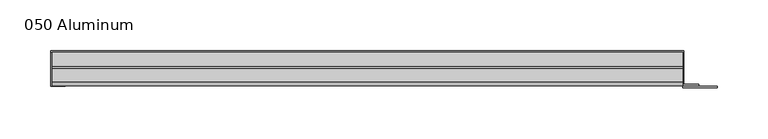
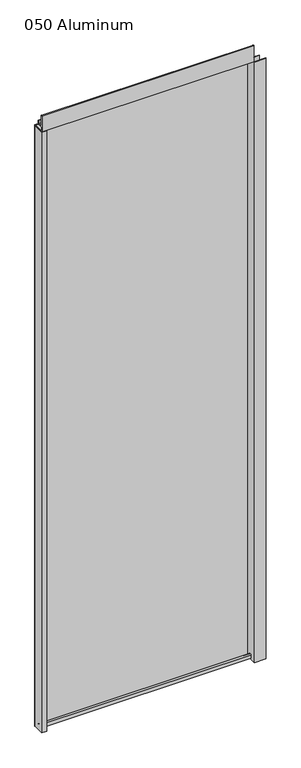
"""IFC4 building model written with IfcOpenShell, lengths in millimetres: plate geometry, 050 Aluminum."""

from ifc_helpers import new_model, si_unit, point, frame, frame_2d, origin, origin_with_axes, place, context, project, spatial, polyline, circle_curve, trimmed, segment, composite_curve, outline, extrude, source, transform, mapped, element, save


def plate_050_aluminum_b9c914ad(model_context):
    return source(origin(), model_context, "Body", "SweptSolid", [
        extrude(outline(polyline([(-315.9654167, 2.5660257), (-303.0749161, 2.5660257), (-303.0749161, 1.2699999), (-317.2354166, 1.2699999), (-317.2354166, 34.7980001), (-315.9654167, 34.7980001), (-315.9654167, 2.5660257)])), origin_with_axes(), (0.0, 0.0, 1.0), 1852.93),
        extrude(outline(composite_curve([segment(trimmed(circle_curve(frame_2d((19.8514743, 13.124237)), 3.175), [point((16.6765477, 13.1458337))], [point((23.0264743, 13.124237))], False, "CARTESIAN"), True, "CONTINUOUS"), segment(polyline([(23.0264743, 13.124237), (23.0264743, 1.2693678), (34.7980002, 1.2693678), (34.7980002, 0.0), (21.7564743, 0.0), (21.7564743, 13.124237)]), True, "CONTINUOUS"), segment(trimmed(circle_curve(frame_2d((19.8514743, 13.124237)), 1.905), [point((21.7564743, 13.124237))], [point((17.9464915, 13.1323356))], True, "CARTESIAN"), True, "CONTINUOUS"), segment(polyline([(17.9464915, 13.1323356), (17.9464915, 2.786437), (16.6765477, 2.786437), (16.6765477, 13.1458337)]), True, "CONTINUOUS")], self_intersect=False)), frame((-315.9654167, 0.0, 0.0), z_axis=(1.0, 0.0, 0.0), x_axis=(0.0, 1.0, 0.0)), (0.0, 0.0, 1.0), 619.2308333),
        extrude(outline(composite_curve([segment(trimmed(circle_curve(frame_2d((3.7084742, 1901.3932001)), 1.6509999), [point((2.0574743, 1901.3932001))], [point((5.3594742, 1901.3932001))], False, "CARTESIAN"), True, "CONTINUOUS"), segment(polyline([(5.3594742, 1901.3932001), (5.3594742, 1868.17), (19.2164743, 1868.17), (19.2164743, 1878.2538), (20.4864742, 1878.2538), (20.4864742, 1866.9), (4.0894742, 1866.9), (4.0894742, 1901.3932001)]), True, "CONTINUOUS"), segment(trimmed(circle_curve(frame_2d((3.7084742, 1901.3932001)), 0.3809999), [point((4.0894742, 1901.3932001))], [point((3.3274743, 1901.3932001))], True, "CARTESIAN"), True, "CONTINUOUS"), segment(polyline([(3.3274743, 1901.3932001), (3.3274743, 1854.2000001), (34.7980002, 1854.2000001), (34.7980002, 1852.93), (2.0574743, 1852.93), (2.0574743, 1901.3932001)]), True, "CONTINUOUS")], self_intersect=False)), frame((-315.9654167, 0.0, 0.0), z_axis=(1.0, 0.0, 0.0), x_axis=(0.0, 1.0, 0.0)), (0.0, 0.0, 1.0), 619.2308333),
        extrude(outline(polyline([(-317.2354167, 36.068), (304.5354167, 36.068), (304.5354167, 34.7980001), (-317.2354167, 34.7980001), (-317.2354167, 36.068)])), origin_with_axes(), (0.0, 0.0, 1.0), 1854.2),
        extrude(outline(polyline([(304.5354167, 1.2699999), (337.0475023, 1.2699999), (337.0475023, 0.0), (303.2654167, 0.0), (303.2654167, 34.7980002), (304.5354167, 34.7980002), (304.5354167, 1.2699999)])), origin_with_axes(), (0.0, 0.0, 1.0), 1852.93),
        extrude(outline(polyline([(303.2654167, 3.3274743), (319.0134166, 3.3274743), (319.0134166, 2.0574743), (303.2654167, 2.0574743), (303.2654167, 3.3274743)])), origin_with_axes(), (0.0, 0.0, 1.0), 1866.9),
    ])


if __name__ == "__main__":
    model = new_model("IFC4")
    model_context = context("Model", 3, world=origin())
    ifc_project = project(units=[si_unit("LENGTHUNIT", "METRE", prefix="MILLI")], contexts=[model_context])
    site = spatial("IfcSite", under=ifc_project)
    building = spatial("IfcBuilding", under=site)
    placement = place(None, origin())
    plate_050_aluminum_shape = plate_050_aluminum_b9c914ad(model_context)
    element("IfcPlate", 1, ObjectType="050 Aluminum", at=placement, inside=building, context=model_context, shape_type="MappedRepresentation", body=[
        mapped(plate_050_aluminum_shape, transform((0.0, 0.0, 0.0), x_axis=(1.0, 0.0, 0.0), y_axis=(0.0, 1.0, 0.0), z_axis=(0.0, 0.0, 1.0))),
    ])
    save(model, "model.ifc")
